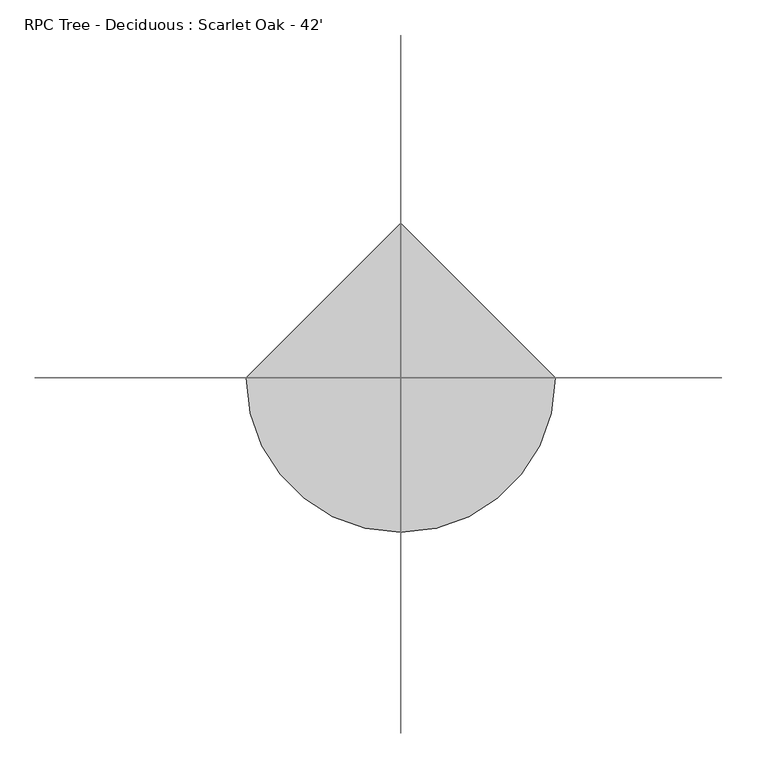
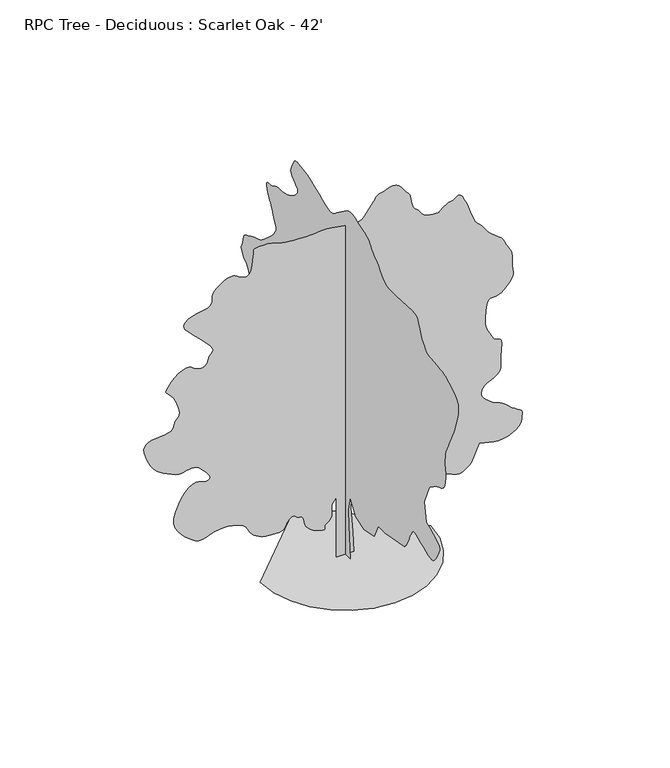
"""IFC4 building model written with IfcOpenShell, lengths in millimetres: geographic element geometry, RPC Tree - Deciduous : Scarlet Oak - 42'."""

from ifc_helpers import new_model, si_unit, origin, place, context, project, spatial, triangles, source, transform, mapped, element, save


def rpc_tree_deciduous_scarlet_oak_42_9b182cbb(model_context):
    return source(origin(), model_context, "Body", "Tessellation", [
        triangles([(0.0176667, 313.3908637, 0.0), (0.0176667, -300.6481277, 0.0), (0.0176667, -201.6098415, 1168.65294), (0.0176667, -181.8016574, 1723.2669067), (0.0176667, -300.6481277, 2238.2675938), (0.0176667, -617.5722605, 1723.2669067), (0.0176667, -1132.5703314, 1564.8060848), (0.0176667, -1726.8001213, 1703.4602669), (0.0176667, -1964.4925896, 2198.6516979), (0.0176667, -2380.4549904, 2198.6516979), (0.0176667, -3529.2988197, 2416.5375263), (0.0176667, -3571.5694954, 2467.5287453), (0.0176667, -3612.8163963, 2518.865728), (0.0176667, -3651.9637161, 2570.8942383), (0.0176667, -3687.9873894, 2623.969487), (0.0176667, -3719.8633507, 2678.4275002), (0.0176667, -3746.5419548, 2734.6266861), (0.0176667, -3766.9988457, 2792.8740028), (0.0176667, -3786.866819, 2852.8877815), (0.0176667, -3811.9324402, 2913.9259163), (0.0176667, -3841.3248322, 2975.8343468), (0.0176667, -3874.1736992, 3038.4340141), (0.0176667, -3909.6343254, 3101.5461502), (0.0176667, -3946.8099632, 3165.016404), (0.0176667, -3984.882058, 3228.6404274), (0.0176667, -4003.0091492, 3249.1996376), (0.0176667, -4028.0747704, 3265.7904854), (0.0176667, -4066.991581, 3274.393158), (0.0176667, -4126.698111, 3271.0392929), (0.0176667, -4214.133181, 3251.7599464), (0.0176667, -4336.2091599, 3212.5358871), (0.0176667, -4499.8648682, 3149.4240417), (0.0176667, -4672.6607162, 3075.1492149), (0.0176667, -4819.8023163, 3008.8625633), (0.0176667, -4944.7714325, 2956.0686928), (0.0176667, -5051.0248306, 2922.3492393), (0.0176667, -5142.0442749, 2913.2343887), (0.0176667, -5221.2603699, 2934.2546173), (0.0176667, -5292.1816223, 2990.9656906), (0.0176667, -5363.7423706, 3080.2954124), (0.0176667, -5437.7099487, 3189.0320892), (0.0176667, -5506.8388687, 3307.4725342), (0.0176667, -5563.8313202, 3425.9129791), (0.0176667, -5601.4168167, 3534.6496559), (0.0176667, -5612.3492889, 3624.0049576), (0.0176667, -5589.3065094, 3684.2236656), (0.0176667, -5533.0052948, 3729.5668282), (0.0176667, -5451.7404877, 3780.0820587), (0.0176667, -5349.7118317, 3834.9496399), (0.0176667, -5231.0155884, 3893.2736961), (0.0176667, -5099.8759186, 3954.2095116), (0.0176667, -4960.4152451, 4016.8603386), (0.0176667, -4816.8068596, 4080.3820427), (0.0176667, -4697.9568466, 4753.8484932), (0.0176667, -4995.0561539, 5447.1064682), (0.0176667, -5004.4270935, 5460.3434509), (0.0176667, -5018.9698105, 5476.4988602), (0.0176667, -5043.9328217, 5498.5690247), (0.0176667, -5084.4629059, 5529.4717896), (0.0176667, -5145.7824188, 5572.1267441), (0.0176667, -5233.1148788, 5629.5290543), (0.0176667, -5351.6064835, 5704.6233078), (0.0176667, -5480.1602646, 5772.6511322), (0.0176667, -5594.1457489, 5817.0984192), (0.0176667, -5693.5885162, 5853.2497009), (0.0176667, -5778.4885666, 5896.340094), (0.0176667, -5848.8209015, 5961.6029709), (0.0176667, -5904.609938, 6064.2717041), (0.0176667, -5945.8312592, 6219.6064087), (0.0176667, -5969.6931747, 6372.1755844), (0.0176667, -5976.5549652, 6470.0056595), (0.0176667, -5971.3064484, 6533.5267822), (0.0176667, -5958.7607025, 6583.1970062), (0.0176667, -5943.8087082, 6639.4476425), (0.0176667, -5931.2885422, 6722.7088394), (0.0176667, -5926.0400253, 6853.4648117), (0.0176667, -5927.8835175, 6997.7129837), (0.0176667, -5935.9737213, 7117.3568436), (0.0176667, -5954.1011032, 7226.6309875), (0.0176667, -5986.0793839, 7339.6950165), (0.0176667, -6035.7496078, 7470.7835266), (0.0176667, -6106.9010788, 7634.1061157), (0.0176667, -6203.3225189, 7843.8473831), (0.0176667, -6294.8797211, 8033.439299), (0.0176667, -6355.9178558, 8147.834642), (0.0176667, -6397.1897552, 8218.5762543), (0.0176667, -6429.4755753, 8277.1819794), (0.0176667, -6463.5019867, 8355.1946594), (0.0176667, -6509.9718246, 8484.1577179), (0.0176667, -6579.6896622, 8695.5634186), (0.0176667, -6654.8094955, 8940.125235), (0.0176667, -6705.3500153, 9150.7373795), (0.0176667, -6723.656456, 9332.2385101), (0.0176667, -6702.0984695, 9489.4934464), (0.0176667, -6633.0980301, 9627.3408463), (0.0176667, -6508.9992096, 9750.6205307), (0.0176667, -6322.1728226, 9864.2211548), (0.0176667, -6140.9019104, 9957.5968506), (0.0176667, -6021.6679092, 10021.8859497), (0.0176667, -5939.1485275, 10064.3101044), (0.0176667, -5868.0487976, 10092.2177032), (0.0176667, -5783.0970062, 10112.8292358), (0.0176667, -5658.9987671, 10133.4396057), (0.0176667, -5470.4567871, 10161.3472046), (0.0176667, -5268.216806, 10183.3400482), (0.0176667, -5111.3717285, 10191.8406921), (0.0176667, -4987.0938492, 10202.3888855), (0.0176667, -4882.5816238, 10230.6290222), (0.0176667, -4784.982058, 10292.127594), (0.0176667, -4681.493898, 10402.5034149), (0.0176667, -4559.2897293, 10577.2962341), (0.0176667, -4452.5756035, 10769.4740387), (0.0176667, -4389.5149178, 10923.9122864), (0.0176667, -4348.2938873, 11044.0165833), (0.0176667, -4307.0469864, 11133.2960175), (0.0176667, -4243.9863007, 11195.2038666), (0.0176667, -4137.2721748, 11233.1992218), (0.0176667, -3965.0652443, 11250.763266), (0.0176667, -3014.2904297, 11191.3378235), (0.0176667, -2839.0363014, 11194.4108917), (0.0176667, -2696.349662, 11194.0004517), (0.0176667, -2575.1186897, 11201.2209412), (0.0176667, -2464.3027794, 11227.1309875), (0.0176667, -2352.7906906, 11282.8694458), (0.0176667, -2229.4985069, 11379.4705261), (0.0176667, -2083.3375156, 11528.0707581), (0.0176667, -1942.4917522, 11678.1569458), (0.0176667, -1836.9835121, 11780.4158203), (0.0176667, -1758.5045815, 11847.7012482), (0.0176667, -1698.7339565, 11892.8147736), (0.0176667, -1649.3606621, 11928.556778), (0.0176667, -1602.0639851, 11967.7555481), (0.0176667, -1548.5328049, 12023.2626251), (0.0176667, -1497.1368141, 12088.8074615), (0.0176667, -1455.0938862, 12149.8444336), (0.0176667, -1412.3621922, 12206.7351471), (0.0176667, -1358.8872585, 12259.7853973), (0.0176667, -1284.6226055, 12309.4044617), (0.0176667, -1179.5189192, 12355.8992981), (0.0176667, -1033.5320452, 12399.6036072), (0.0176667, -869.6434296, 12447.7634583), (0.0176667, -716.8409832, 12501.1206665), (0.0176667, -574.0851983, 12550.3304535), (0.0176667, -440.341763, 12586.0212982), (0.0176667, -314.5660463, 12598.8484222), (0.0176667, -195.7190492, 12579.4414673), (0.0176667, -82.7633712, 12518.4544922), (0.0176667, 511.4674361, 12082.6880676), (0.0176667, 575.7980298, 12024.1335022), (0.0176667, 638.0522604, 11970.7762939), (0.0176667, 705.8469595, 11927.7882202), (0.0176667, 786.8119303, 11900.4189606), (0.0176667, 888.5641497, 11893.8379669), (0.0176667, 1018.7282976, 11913.2460846), (0.0176667, 1184.9289087, 11963.8371826), (0.0176667, 1373.534911, 12038.957016), (0.0176667, 1563.5259304, 12123.4483704), (0.0176667, 1751.4381523, 12209.6791534), (0.0176667, 1933.8071079, 12289.996344), (0.0176667, 2107.1689098, 12356.8213348), (0.0176667, 2268.0542931, 12402.4976166), (0.0176667, 2413.0043118, 12419.4210022), (0.0176667, 2544.8429214, 12428.6634613), (0.0176667, 2667.3156784, 12449.6842712), (0.0176667, 2778.3824455, 12472.4200928), (0.0176667, 2875.9049812, 12486.8599091), (0.0176667, 2957.8610252, 12482.9427063), (0.0176667, 3022.1248352, 12450.606308), (0.0176667, 3066.6488617, 12379.7873749), (0.0176667, 3106.4362587, 12290.8160614), (0.0176667, 3152.1122498, 12208.7582794), (0.0176667, 3195.0232933, 12130.8479187), (0.0176667, 3226.5152664, 12054.318869), (0.0176667, 3237.8831772, 11976.4340881), (0.0176667, 3220.4984825, 11894.3763062), (0.0176667, 3165.7076408, 11805.3794128), (0.0176667, 3081.8572357, 11723.8332275), (0.0176667, 2992.092366, 11659.9534058), (0.0176667, 2909.982843, 11604.7532867), (0.0176667, 2848.9961586, 11549.1938873), (0.0176667, 2822.6759628, 11484.2897095), (0.0176667, 2844.4900383, 11401.0285126), (0.0176667, 2928.0076149, 11290.3713135), (0.0176667, 3043.3244133, 11180.1233917), (0.0176667, 3152.0610901, 11099.7038818), (0.0176667, 3254.9091728, 11042.4550507), (0.0176667, 3352.5598984, 11001.8738068), (0.0176667, 3445.704213, 10971.3035797), (0.0176667, 3535.0595146, 10944.2412781), (0.0176667, 3621.2652992, 10914.0291687), (0.0176667, 3707.3690552, 10890.7561707), (0.0176667, 3795.9049301, 10883.0752441), (0.0176667, 3886.8473442, 10882.333429), (0.0176667, 3980.222168, 10879.8498596), (0.0176667, 4076.0294014, 10866.9715759), (0.0176667, 4174.2690445, 10835.0177124), (0.0176667, 4274.9152267, 10775.3887939), (0.0176667, 4378.9408539, 10722.4152832), (0.0176667, 4481.2000191, 10703.4176056), (0.0176667, 4572.7316414, 10698.9632263), (0.0176667, 4644.5228989, 10689.6684448), (0.0176667, 4687.5362617, 10656.1286316), (0.0176667, 4692.7850693, 10578.9089264), (0.0176667, 4651.2820793, 10438.6546967), (0.0176667, 4589.9369865, 10291.0520782), (0.0176667, 4539.012188, 10191.6093109), (0.0176667, 4494.308812, 10120.561322), (0.0176667, 4451.7053078, 10058.1918732), (0.0176667, 4407.0019318, 9984.7358917), (0.0176667, 4356.0515533, 9880.4538849), (0.0176667, 4294.7320404, 9725.5801987), (0.0176667, 4229.9301819, 9573.2412415), (0.0176667, 4174.1664345, 9477.02444), (0.0176667, 4131.5370598, 9417.880957), (0.0176667, 4106.2412201, 9376.7625366), (0.0176667, 4102.4263367, 9334.6197601), (0.0176667, 4124.265992, 9272.3526306), (0.0176667, 4175.8820274, 9170.9640518), (0.0176667, 4267.7717674, 9036.5728363), (0.0176667, 4396.7095367, 8893.8861969), (0.0176667, 4546.4626053, 8751.5320953), (0.0176667, 4700.6962143, 8618.1908157), (0.0176667, 4843.178215, 8502.5153183), (0.0176667, 4957.5729767, 8413.1858871), (0.0176667, 5027.6233521, 8358.830484), (0.0176667, 5089.8137421, 8324.829071), (0.0176667, 5183.1888565, 8290.4695404), (0.0176667, 5295.279689, 8255.4187729), (0.0176667, 5413.6172333, 8219.3186508), (0.0176667, 5525.7080658, 8181.8354736), (0.0176667, 5619.0831802, 8142.6367035), (0.0176667, 5681.2729889, 8101.3392242), (0.0176667, 5733.3500427, 8067.0308533), (0.0176667, 5799.6622742, 8042.7846588), (0.0176667, 5872.5293381, 8019.2297012), (0.0176667, 5944.3714645, 7986.9950409), (0.0176667, 6007.5606308, 7936.7614792), (0.0176667, 6054.4397461, 7859.1324966), (0.0176667, 6077.431366, 7744.7888947), (0.0176667, 6096.2499847, 7629.9325333), (0.0176667, 6128.5869644, 7548.6938873), (0.0176667, 6163.6888916, 7488.5777893), (0.0176667, 6190.8535126, 7437.1152328), (0.0176667, 6199.277417, 7381.8633728), (0.0176667, 6178.2571884, 7310.3026245), (0.0176667, 6117.0399948, 7209.9889801), (0.0176667, 6041.0492844, 7116.0255295), (0.0176667, 5979.6018723, 7059.8522141), (0.0176667, 5927.8579376, 7023.4183914), (0.0176667, 5880.9526611, 6988.7007431), (0.0176667, 5834.0729645, 6937.699205), (0.0176667, 5782.3290298, 6852.4148758), (0.0176667, 5720.8816177, 6714.7976944), (0.0176667, 5653.9037292, 6576.9502945), (0.0176667, 5592.4557358, 6490.0526917), (0.0176667, 5542.0942749, 6434.6729324), (0.0176667, 5508.3748215, 6391.4034805), (0.0176667, 5496.8278519, 6340.8885406), (0.0176667, 5512.9832611, 6263.6694168), (0.0176667, 5562.4232666, 6140.3897324), (0.0176667, 5628.0954208, 6005.5380798), (0.0176667, 5689.9271118, 5900.8462143), (0.0176667, 5749.0194351, 5817.6361771), (0.0176667, 5806.3450058, 5747.2271027), (0.0176667, 5863.0049194, 5680.9916107), (0.0176667, 5919.9973709, 5610.2499985), (0.0176667, 5978.3728775, 5526.348143), (0.0176667, 6046.1187424, 5443.5985428), (0.0176667, 6124.9511398, 5376.0828964), (0.0176667, 6206.5484848, 5314.8145432), (0.0176667, 6282.6153534, 5250.7556625), (0.0176667, 6344.8057434, 5174.9445923), (0.0176667, 6384.8236496, 5078.3179321), (0.0176667, 6394.3480682, 4951.9151825), (0.0176667, 6402.3615326, 4852.6511833), (0.0176667, 6431.8824051, 4819.9049263), (0.0176667, 6465.5506989, 4818.343103), (0.0176667, 6486.0587494, 4812.6335678), (0.0176667, 6476.0477325, 4767.4183044), (0.0176667, 6418.2611435, 4647.3648766), (0.0176667, 6295.3145782, 4417.1152679), (0.0176667, 6166.7613785, 4158.8557411), (0.0176667, 6089.1579758, 3968.8801277), (0.0176667, 6040.640007, 3832.9270889), (0.0176667, 5999.4186859, 3736.8381866), (0.0176667, 5943.629068, 3666.3782433), (0.0176667, 5851.4579498, 3607.3629501), (0.0176667, 5701.0903839, 3545.5824188), (0.0176667, 5527.4748184, 3495.4511765), (0.0176667, 5374.6748428, 3474.4309479), (0.0176667, 5234.3438736, 3472.8179649), (0.0176667, 5098.1859055, 3480.9087502), (0.0176667, 4957.8549362, 3488.9736649), (0.0176667, 4805.0549606, 3487.3606819), (0.0176667, 4631.4652657, 3466.3404533), (0.0176667, 4458.3362984, 3447.5221252), (0.0176667, 4308.7625793, 3451.5675179), (0.0176667, 4177.2133415, 3467.3900986), (0.0176667, 4058.1328194, 3483.9042068), (0.0176667, 3945.9908272, 3490.0233101), (0.0176667, 3835.2313087, 3474.6614571), (0.0176667, 3720.2984985, 3426.7324059), (0.0176667, 3610.3072472, 3375.7820274), (0.0176667, 3519.3389626, 3349.1034233), (0.0176667, 3449.5190964, 3332.1285873), (0.0176667, 3402.9213593, 3310.3145119), (0.0176667, 3381.6194618, 3269.0679016), (0.0176667, 3387.6874054, 3193.8969086), (0.0176667, 3423.1991913, 3070.1820763), (0.0176667, 3480.4733116, 2938.7610283), (0.0176667, 3549.1923729, 2845.7701927), (0.0176667, 3627.4614326, 2784.8599571), (0.0176667, 3713.3343887, 2749.5789711), (0.0176667, 3804.9171707, 2733.5255905), (0.0176667, 3900.3145454, 2730.2740448), (0.0176667, 3997.6068626, 2733.448851), (0.0176667, 4373.9740059, 2317.4992401), (0.0176667, 4403.4687172, 2270.6632908), (0.0176667, 4431.7603043, 2222.9646034), (0.0176667, 4457.6450615, 2173.5324463), (0.0176667, 4479.868705, 2121.4991398), (0.0176667, 4497.2533997, 2066.004126), (0.0176667, 4508.5698601, 2006.1771091), (0.0176667, 4512.6152527, 1941.1527351), (0.0176667, 4511.9240158, 1873.3554199), (0.0176667, 4507.0847763, 1806.2519577), (0.0176667, 4493.8992439, 1740.5362015), (0.0176667, 4468.2705757, 1676.8969173), (0.0176667, 4425.9996094, 1616.0304291), (0.0176667, 4362.9389236, 1558.6281189), (0.0176667, 4274.9152267, 1505.3836945), (0.0176667, 4190.9622116, 1460.165815), (0.0176667, 4131.9469185, 1424.9973221), (0.0176667, 4081.5854576, 1397.7989822), (0.0176667, 4023.5942299, 1376.4895271), (0.0176667, 3941.7149254, 1358.992194), (0.0176667, 3819.6389465, 1343.2258598), (0.0176667, 3641.0824036, 1327.1137619), (0.0176667, 3437.9721268, 1329.4230686), (0.0176667, 3250.8126205, 1364.996188), (0.0176667, 3076.1221207, 1425.8652924), (0.0176667, 2910.4438614, 1504.0548512), (0.0176667, 2750.3213676, 1591.6024143), (0.0176667, 2592.2472954, 1680.5352127), (0.0176667, 2432.8109516, 1762.8828026), (0.0176667, 2290.6338741, 1837.7823006), (0.0176667, 2180.6808472, 1908.5239128), (0.0176667, 2093.9423916, 1973.376931), (0.0176667, 2021.411063, 2030.6051239), (0.0176667, 1954.0772369, 2078.4780739), (0.0176667, 1882.9309982, 2115.2646366), (0.0176667, 1798.9653385, 2139.2293076), (0.0176667, 1706.624754, 2159.4404285), (0.0176667, 1615.6720207, 2184.5034336), (0.0176667, 1525.0649059, 2211.9936161), (0.0176667, 1433.7664089, 2239.4811825), (0.0176667, 1340.7321167, 2264.5441875), (0.0176667, 1244.9274994, 2284.7553085), (0.0176667, 1145.3130856, 2297.6899841), (0.0176667, 1043.4456116, 2304.4466938), (0.0176667, 941.5755941, 2308.0849892), (0.0176667, 839.7081202, 2309.1244606), (0.0176667, 737.8407188, 2308.0849892), (0.0176667, 635.9732449, 2305.4861652), (0.0176667, 534.1032274, 2301.8480152), (0.0176667, 432.2357898, 2297.6899841), (0.0176667, 234.1596897, 2000.5751255), (0.0176667, 194.5438665, 1544.999445), (287.211575, 0.0006153, 0.0094345), (-307.0182149, 0.0006153, 0.0094345), (-307.0182149, 0.0004871, 2178.8527611), (-465.4815439, 0.0004871, 1960.9695488), (-465.4815439, 0.0005127, 1723.2770805), (-461.8433212, 0.0005127, 1668.1278305), (-461.8433212, 0.0005127, 1613.1500816), (-469.1197666, 0.0005127, 1558.5205673), (-487.308264, 0.0005384, 1504.4107887), (-520.0521955, 0.0005384, 1450.9948631), (-570.9872043, 0.0005384, 1398.4416756), (-643.748933, 0.0005384, 1346.9305756), (-700.7467621, 0.0005384, 1293.4557873), (-716.5132416, 0.0005384, 1239.2870007), (-712.8750189, 0.0005384, 1191.0121857), (-711.6614302, 0.0005384, 1155.206159), (-734.7042824, 0.0005384, 1138.4590708), (-803.8278248, 0.0005384, 1147.3536587), (-940.8638643, 0.0005384, 1188.4698263), (-1097.1892788, 0.0005384, 1252.5136642), (-1214.0141247, 0.0005384, 1324.8708755), (-1297.9209217, 0.0005384, 1404.1613846), (-1355.4973492, 0.0005384, 1488.9925438), (-1393.3235287, 0.0005127, 1577.9815887), (-1417.9820526, 0.0005127, 1669.7434296), (-1436.0578388, 0.0005127, 1762.8929764), (-1440.6767429, 0.0005127, 1788.2427372), (-1447.5485619, 0.0005127, 1812.9011158), (-1458.9240303, 0.0005127, 1836.1770206), (-1477.0588245, 0.0005127, 1857.3687504), (-1504.1983017, 0.0005127, 1875.7903004), (-1542.6030796, 0.0005127, 1890.7476723), (-1594.5186607, 0.0005127, 1901.5471584), (-1646.4342419, 0.0005127, 1919.331102), (-1687.2611103, 0.0005127, 1949.2458458), (-1722.8930923, 0.0004871, 1981.5852962), (-1759.2163113, 0.0004871, 2006.6483013), (-1802.1247387, 0.0004871, 2014.733709), (-1857.5044979, 0.0004871, 1996.138187), (-1931.2494152, 0.0005127, 1941.1604382), (-1996.0996719, 0.0005127, 1864.2407146), (-2032.88638, 0.0005127, 1789.0516994), (-2059.6238468, 0.0005127, 1719.7541851), (-2094.3289959, 0.0005127, 1660.5031506), (-2155.0238377, 0.0005127, 1615.4620045), (-2259.7204994, 0.0005127, 1588.7809296), (-2426.4408463, 0.0005127, 1584.6230438), (-2610.6557648, 0.0005127, 1596.8664825), (-2760.2297745, 0.0005127, 1617.0776035), (-2881.7168358, 0.0005127, 1645.9528759), (-2981.7488113, 0.0005127, 1684.1810658), (-3066.8793709, 0.0005127, 1732.4584969), (-3143.6633469, 0.0005127, 1791.4788769), (-3218.7576004, 0.0005127, 1861.9312626), (-3282.4327835, 0.0005127, 1939.1966045), (-3328.1343544, 0.0004871, 2016.8126518), (-3366.8721062, 0.0004871, 2092.6929039), (-3409.782859, 0.0004871, 2164.7633595), (-3467.9278564, 0.0004871, 2230.9424595), (-3552.4183388, 0.0004871, 2289.1538773), (-3674.3152588, 0.0004871, 2337.3161991), (-3796.8778358, 0.0004871, 2373.9261738), (-3885.797699, 0.0004615, 2399.7981411), (-3956.0271332, 0.0004615, 2416.3148655), (-4022.4419746, 0.0004615, 2424.8611462), (-4099.9171875, 0.0004615, 2426.8249798), (-4203.4053474, 0.0004615, 2423.5911655), (-4347.7817093, 0.0004615, 2416.5452293), (-4506.5217293, 0.0004615, 2391.541087), (-4647.6209656, 0.0004871, 2345.0533722), (-4777.6083801, 0.0004871, 2294.4077717), (-4903.0896744, 0.0004871, 2256.9298267), (-5030.6702591, 0.0004871, 2249.9426079), (-5166.8793869, 0.0004871, 2290.7694763), (-5318.3480484, 0.0004615, 2396.7385895), (-5476.8319794, 0.0004615, 2538.4523232), (-5623.153862, 0.0004615, 2679.118737), (-5747.6625412, 0.0004358, 2825.0057625), (-5840.6277969, 0.0004358, 2982.3118584), (-5892.3717316, 0.0004358, 3157.2843178), (-5893.1908676, 0.0004102, 3356.1698524), (-5833.3561478, 0.0004102, 3585.1904663), (-5733.2221436, 0.0003846, 3816.1824715), (-5621.6434891, 0.0003846, 4014.2744499), (-5501.7694107, 0.0003589, 4175.6259384), (-5376.6973938, 0.0003589, 4296.4217628), (-5249.5266678, 0.0003589, 4372.8729103), (-5123.4052963, 0.0003589, 4401.1900772), (-5001.4313461, 0.0003589, 4377.5072205), (-4886.3965073, 0.0003589, 4337.6686638), (-4784.5469101, 0.0003589, 4320.6679573), (-4704.1526894, 0.0003589, 4327.6064873), (-4653.5607193, 0.0003589, 4359.4824486), (-4641.0920036, 0.0003589, 4417.3457771), (-4675.0419662, 0.0003589, 4502.2458275), (-4763.7313202, 0.0003333, 4615.2072464), (-4867.1683205, 0.0003333, 4728.5014938), (-4946.0004272, 0.0003333, 4815.808374), (-5009.573291, 0.0003333, 4880.2515335), (-5067.2575607, 0.0003333, 4924.9546188), (-5128.4235947, 0.0003333, 4953.0156967), (-5202.3911728, 0.0003076, 4967.5839935), (-5298.5568146, 0.0003076, 4971.7319962), (-5397.1804459, 0.0003333, 4962.437796), (-5478.8545303, 0.0003333, 4941.0077087), (-5553.2313858, 0.0003333, 4917.171373), (-5630.0412323, 0.0003333, 4900.5805252), (-5718.9613861, 0.0003333, 4900.9903839), (-5829.7209045, 0.0003333, 4928.0782654), (-5972.0232651, 0.0003076, 4991.5488098), (-6123.0309082, 0.0003076, 5067.4877792), (-6256.0140701, 0.0003076, 5133.3645721), (-6374.8126328, 0.0003076, 5201.008699), (-6483.1909012, 0.0003076, 5282.1450256), (-6585.0149185, 0.0003076, 5388.5519028), (-6684.0484085, 0.000282, 5532.0576782), (-6784.1312531, 0.000282, 5724.4401215), (-6866.8808533, 0.0002564, 5924.068634), (-6912.5565536, 0.0002564, 6084.5495361), (-6922.9006897, 0.0002564, 6210.3889481), (-6899.6271103, 0.0002307, 6306.0679916), (-6844.4775696, 0.0002307, 6376.118367), (-6759.1938217, 0.0002307, 6425.0206146), (-6645.4641357, 0.0002307, 6457.3064346), (-6511.2008194, 0.0002307, 6475.8430939), (-6369.3338974, 0.0002307, 6486.7755661), (-6229.1564072, 0.0002307, 6499.3980515), (-6100.090448, 0.0002307, 6523.1320679), (-5991.4813797, 0.0002307, 6567.3229752), (-5912.6495636, 0.0002307, 6641.2911346), (-5872.9641953, 0.0002051, 6754.4313217), (-5843.6485428, 0.0002051, 6863.6804672), (-5798.3565399, 0.0002051, 6934.8313568), (-5750.3251694, 0.0002051, 6990.3907562), (-5712.6629333, 0.0002051, 7052.8625244), (-5698.5812347, 0.0001795, 7144.8034241), (-5721.2141556, 0.0001795, 7288.7190582), (-5793.7481003, 0.0001795, 7507.1144485), (-5896.4679932, 0.0001538, 7722.232132), (-5994.7079269, 0.0001538, 7857.6477036), (-6079.0702194, 0.0001538, 7937.9904739), (-6140.2362534, 0.0001282, 7987.8141769), (-6168.8095093, 0.0001282, 8031.7492859), (-6155.4702072, 0.0001282, 8094.4262741), (-6090.8474075, 0.0001282, 8200.3977127), (-5986.6938812, 0.0001282, 8332.6384781), (-5866.2308853, 0.0001025, 8453.101474), (-5737.4468857, 0.0001025, 8554.8481705), (-5608.304187, 0.0001025, 8630.9667801), (-5486.816835, 0.0001025, 8674.4920303), (-5380.8965561, 0.0001025, 8678.5377136), (-5298.5568146, 0.0001025, 8636.1641373), (-5217.8297653, 0.0001025, 8572.9755524), (-5118.386998, 0.0001025, 8523.663446), (-5010.6232269, 0.0001025, 8494.7832321), (-4904.9331665, 0.0001025, 8492.93974), (-4811.7374016, 0.0001025, 8524.713382), (-4741.4053574, 0.0001025, 8596.6584091), (-4704.3320389, 0.0001025, 8715.3802322), (-4670.3564964, 0.0001025, 8828.5721603), (-4616.9995789, 7.69e-05, 8895.677948), (-4566.0747803, 7.69e-05, 8940.9449524), (-4539.3961761, 7.69e-05, 8988.6432037), (-4558.8034218, 7.69e-05, 9063.0206406), (-4646.110302, 7.69e-05, 9188.3484558), (-4823.1820518, 5.13e-05, 9388.8472641), (-5045.2129761, 5.13e-05, 9615.3328583), (-5243.6892334, 2.56e-05, 9806.1281891), (-5404.7584717, 2.56e-05, 9966.78815), (-5514.5197952, 2.56e-05, 10102.8437988), (-5559.1717209, 0.0, 10219.8506104), (-5524.8121902, 0.0, 10323.3384796), (-5397.5897232, 0.0, 10418.8384644), (-5227.9175217, 0.0, 10492.422345), (-5075.9366821, 0.0, 10534.4628021), (-4942.313443, 0.0, 10557.0951416), (-4827.7393318, -2.56e-05, 10572.4569946), (-4732.9050041, -2.56e-05, 10592.6580872), (-4658.527858, -2.56e-05, 10629.8593048), (-4605.2732597, -2.56e-05, 10696.1459564), (-4578.7225548, -2.56e-05, 10774.5690765), (-4574.6774529, -2.56e-05, 10843.2881378), (-4579.2858925, -2.56e-05, 10907.1679596), (-4578.7225548, -2.56e-05, 10971.0477814), (-4559.0850906, -5.13e-05, 11039.7668427), (-4506.5217293, -5.13e-05, 11118.1899628), (-4407.2068611, -5.13e-05, 11211.1552185), (-4285.6427696, -5.13e-05, 11303.1472778), (-4174.4736832, -5.13e-05, 11374.7080261), (-4071.9840088, -7.69e-05, 11424.7619476), (-3976.4072845, -7.69e-05, 11452.3114288), (-3886.0282082, -7.69e-05, 11456.3053711), (-3799.1053162, -7.69e-05, 11435.6694214), (-3713.9488861, -5.13e-05, 11389.4303833), (-3626.1556984, -5.13e-05, 11332.8977875), (-3535.6225616, -5.13e-05, 11288.8353607), (-3446.8053085, -5.13e-05, 11267.2773743), (-3364.2091873, -5.13e-05, 11278.3115845), (-3292.3667702, -5.13e-05, 11331.9501709), (-3235.783596, -7.69e-05, 11438.2808899), (-3198.9404961, -7.69e-05, 11607.3135956), (-3176.9473618, -7.69e-05, 11788.8141449), (-3161.1759407, -0.0001025, 11929.0683746), (-3150.6018768, -0.0001025, 12032.966684), (-3144.2011047, -0.0001025, 12105.3204071), (-3140.8981087, -0.0001025, 12150.9966888), (-3139.6946938, -0.0001025, 12174.8591858), (-3139.5156349, -0.0001025, 12181.7203949), (-3113.477108, -0.0001025, 12185.7666595), (-3042.7354958, -0.0001025, 12194.6765808), (-2938.3767494, -0.0001025, 12203.5609222), (-2811.5129814, -0.0001025, 12207.6060242), (-2673.2045631, -0.0001025, 12201.9470673), (-2534.5452942, -0.0001025, 12181.7203949), (-2406.6342064, -0.0001025, 12142.1123474), (-2289.3460167, -0.0001025, 12098.0499207), (-2171.7120632, -0.0001025, 12066.1227997), (-2048.5351341, -0.0001025, 12043.872995), (-1914.6149654, -0.0001025, 12028.921582), (-1764.7594322, -0.0001025, 12018.8338257), (-1593.7659451, -0.0001025, 12011.1528992), (-1396.4394722, -0.0001025, 12003.4719727), (-1205.9875071, -0.0001025, 12002.3708771), (-1049.1423569, -0.0001025, 12011.6644958), (-911.0079105, -0.0001025, 12024.772998), (-776.6858768, -0.0001025, 12035.1165527), (-631.2776012, -0.0001025, 12036.0897491), (-459.8795603, -0.0001025, 12021.1371735), (-247.5965149, -0.0001025, 11983.6545776), (-33.003293, -0.0001025, 11939.0793915), (140.0111032, -0.0001025, 11908.3556854), (278.3759043, -0.0001025, 11893.2240509), (389.0226934, -0.0001025, 11895.4006622), (478.8797087, -0.0001025, 11916.6761078), (554.8751063, -0.0001025, 11958.7165649), (623.9422932, -0.0001025, 12023.2626251), (921.0572245, -0.0001282, 12399.6036072), (965.640041, -0.0001282, 12457.6465759), (1001.2131603, -0.0001282, 12512.2327789), (1033.3195581, -0.0001282, 12562.2867004), (1067.507515, -0.0001282, 12606.8107269), (1109.3175356, -0.0001282, 12644.7549225), (1164.2952845, -0.0001282, 12675.0693512), (1237.9812664, -0.0001282, 12696.729657), (1328.2991547, -0.0001538, 12721.5641876), (1426.9329597, -0.0001538, 12754.7203033), (1530.070269, -0.0001538, 12785.0858917), (1633.9040474, -0.0001538, 12801.6), (1734.6167953, -0.0001538, 12793.1760956), (1828.3987164, -0.0001538, 12748.7032288), (1911.4427753, -0.0001282, 12657.1216095), (1985.1850765, -0.0001282, 12552.6605438), (2052.6930199, -0.0001282, 12471.3957367), (2112.5788994, -0.0001282, 12405.0323456), (2163.4550091, -0.0001282, 12345.2743652), (2203.9362591, -0.0001282, 12283.7757935), (2232.6374142, -0.0001025, 12212.2138824), (2248.1709137, -0.0001025, 12122.2961151), (2258.9703999, -0.0001025, 12029.1006409), (2273.9277718, -0.0001025, 11951.4972382), (2292.3491764, -0.0001025, 11886.8744385), (2313.5410515, -7.69e-05, 11832.6463531), (2336.8143402, -7.69e-05, 11786.2026764), (2361.4727188, -7.69e-05, 11744.9819366), (2386.8250957, -7.69e-05, 11706.3459229), (2412.4640831, -7.69e-05, 11688.9621002), (2439.1453033, -7.69e-05, 11669.1447052), (2467.9025597, -7.69e-05, 11644.4892334), (2499.7811371, -7.69e-05, 11612.5621124), (2535.8152748, -7.69e-05, 11570.9309326), (2577.0389214, -7.69e-05, 11517.164447), (2624.5072449, -7.69e-05, 11448.8546631), (2694.8648689, -5.13e-05, 11383.9249054), (2794.3076363, -5.13e-05, 11339.4776184), (2908.2931206, -5.13e-05, 11311.6223419), (3022.2786049, -5.13e-05, 11296.6186066), (3121.7213722, -5.13e-05, 11290.601532), (3192.0789963, -5.13e-05, 11289.8073944), (3218.7576004, -5.13e-05, 11290.3968933), (3232.429731, -5.13e-05, 11304.6576508), (3270.0408073, -5.13e-05, 11341.4240112), (3326.3420219, -5.13e-05, 11391.7337311), (3396.1621788, -7.69e-05, 11446.5245728), (3474.2774689, -7.69e-05, 11496.8354553), (3555.5419853, -7.69e-05, 11533.6273956), (3634.7072113, -7.69e-05, 11547.8881531), (3705.6790421, -7.69e-05, 11565.2731384), (3768.3301598, -7.69e-05, 11604.4707458), (3826.500737, -7.69e-05, 11646.1019257), (3883.9542068, -7.69e-05, 11670.7829773), (3944.5313232, -7.69e-05, 11659.0569489), (4012.0469696, -7.69e-05, 11591.5413025), (4090.2904495, -7.69e-05, 11448.8546631), (4163.9763588, -5.13e-05, 11281.2055939), (4218.94655, -5.13e-05, 11145.7894409), (4260.756498, -5.13e-05, 11033.5707092), (4294.9366791, -2.56e-05, 10935.5871552), (4327.0431496, -2.56e-05, 10842.7765411), (4362.631675, -2.56e-05, 10746.1754608), (4407.2068611, -2.56e-05, 10636.7216766), (4453.011042, 0.0, 10540.6833527), (4492.2095215, 0.0, 10479.6452179), (4530.3839355, 0.0, 10437.682663), (4573.0644699, 0.0, 10398.8164307), (4625.7813103, 0.0, 10347.1230743), (4694.0908035, 0.0, 10266.6779846), (4783.5481339, 0.0, 10141.5298096), (4893.6675751, 2.56e-05, 10002.2487762), (5014.5404297, 2.56e-05, 9885.8303009), (5137.4869949, 2.56e-05, 9786.0294159), (5253.8537292, 5.13e-05, 9696.6488251), (5354.9603485, 5.13e-05, 9611.4156555), (5432.1794724, 5.13e-05, 9524.0831955), (5476.8319794, 5.13e-05, 9428.4553116), (5511.8827469, 5.13e-05, 9334.6709198), (5560.7844131, 7.69e-05, 9250.5900055), (5615.6008347, 7.69e-05, 9166.5090912), (5668.3179657, 7.69e-05, 9072.724118), (5710.9985001, 7.69e-05, 8959.5583511), (5735.6545532, 0.0001025, 8817.2554092), (5734.3232391, 0.0001025, 8636.1641373), (5731.6094513, 0.0001025, 8462.1137146), (5746.5614456, 0.0001282, 8335.1732071), (5762.8964951, 0.0001282, 8237.0100128), (5764.3557083, 0.0001282, 8149.2171158), (5734.6046173, 0.0001282, 8053.4863312), (5657.4110733, 0.0001538, 7931.3850632), (5516.4400269, 0.0001538, 7764.6057083), (5349.148494, 0.0001538, 7624.5816971), (5204.0294449, 0.0001538, 7568.3828018), (5081.4159988, 0.0001538, 7556.195755), (4981.691272, 0.0001538, 7548.1817093), (4905.163385, 0.0001795, 7504.4518204), (4852.2160355, 0.0001795, 7385.2172379), (4823.156472, 0.0001795, 7150.5896988), (4812.3007393, 0.0002051, 6890.9474075), (4813.9393021, 0.0002051, 6708.2178635), (4828.3538292, 0.0002307, 6579.9198807), (4855.9797592, 0.0002307, 6483.4728607), (4897.0981796, 0.0002307, 6396.396199), (4952.0686615, 0.0002307, 6296.1342957), (5021.2481598, 0.0002564, 6160.206546), (5100.1828766, 0.0002564, 6041.9969009), (5179.8344101, 0.0002564, 5988.229834), (5253.5717697, 0.0002564, 5966.3393097), (5314.840123, 0.0002564, 5943.7575485), (5357.0602203, 0.0002564, 5887.9167709), (5373.6254883, 0.000282, 5766.2247803), (5357.9816757, 0.000282, 5546.1649567), (5336.7312286, 0.0003076, 5303.5495331), (5333.4796829, 0.0003076, 5126.0935043), (5337.1916656, 0.0003076, 4998.8710373), (5336.7312286, 0.0003333, 4907.0068771), (5321.0106766, 0.0003333, 4835.574028), (5278.9702194, 0.0003333, 4769.6713646), (5199.5233246, 0.0003333, 4694.423632), (5103.537323, 0.0003333, 4623.8610786), (5018.6366913, 0.0003333, 4576.1622459), (4943.7988174, 0.0003333, 4542.6733017), (4877.9726028, 0.0003589, 4514.7145432), (4820.109565, 0.0003589, 4483.6580086), (4769.1847664, 0.0003589, 4440.7981247), (4724.1232727, 0.0003589, 4377.5072205), (4688.3301086, 0.0003589, 4304.2308792), (4668.1034363, 0.0003589, 4235.1022499), (4666.951181, 0.0003589, 4167.0232658), (4688.3301086, 0.0003846, 4096.8447006), (4735.6702423, 0.0003846, 4021.4946487), (4812.4797981, 0.0003846, 3937.7977226), (4922.2152512, 0.0003846, 3842.7075966), (5038.5046646, 0.0003846, 3759.3690788), (5137.1538757, 0.0003846, 3704.7831665), (5224.6915558, 0.0004102, 3666.5061424), (5307.748114, 0.0004102, 3632.0442924), (5392.8533844, 0.0004102, 3588.9030304), (5486.6377762, 0.0004102, 3524.6133499), (5595.6561218, 0.0004102, 3426.7324059), (5711.4083588, 0.0004102, 3325.6252052), (5818.1221939, 0.0004102, 3253.27061), (5911.6763672, 0.0004358, 3199.6064438), (5987.8972961, 0.0004358, 3154.6213989), (6042.6369781, 0.0004358, 3108.254171), (6071.7474106, 0.0004358, 3050.4420021), (6071.0561737, 0.0004358, 2971.148877), (6059.6888443, 0.0004358, 2881.1282089), (6052.801474, 0.0004615, 2796.6374359), (6040.3836273, 0.0004615, 2715.961837), (6012.3737091, 0.0004615, 2637.3855286), (5958.7351227, 0.0004615, 2559.1269333), (5869.4056915, 0.0004615, 2479.4908058), (5734.3232391, 0.0004615, 2396.7385895), (5573.023201, 0.0004871, 2329.7503819), (5411.7481613, 0.0004871, 2294.9863701), (5250.4481232, 0.0004871, 2287.0749344), (5089.148085, 0.0004871, 2300.6446003), (4927.8736267, 0.0004871, 2330.3265095), (4766.5732979, 0.0004871, 2370.7513676), (4605.2732597, 0.0004615, 2416.5452293), (4327.9648956, 0.0005127, 1802.5088722), (4260.0141014, 0.0005127, 1743.6034561), (4191.6790283, 0.0005127, 1687.8192158), (4122.6785889, 0.0005127, 1638.2719494), (4052.6282135, 0.0005127, 1598.0774551), (3981.1950737, 0.0005127, 1570.3595249), (3908.0213425, 0.0005127, 1558.2338116), (3832.7733192, 0.0005127, 1564.816404), (3771.4538063, 0.0005127, 1579.7711597), (3732.639315, 0.0005127, 1592.3039703), (3704.9366455, 0.0005127, 1604.8367809), (3676.8755676, 0.0005127, 1619.7915367), (3637.0114311, 0.0005127, 1639.6007927), (3573.9507454, 0.0005127, 1666.6838779), (3476.2488602, 0.0005127, 1703.4704407), (3348.9752335, 0.0005127, 1756.8865116), (3209.9244186, 0.0005127, 1827.6281239), (3066.7000214, 0.0005127, 1908.7645958), (2926.957679, 0.0004871, 1993.3652458), (2798.2759987, 0.0004871, 2074.5018631), (2688.335907, 0.0004871, 2145.2434753), (2604.716011, 0.0004871, 2198.6620171), (2533.9101585, 0.0004871, 2245.7258595), (2457.9147972, 0.0004871, 2301.1054733), (2377.5848167, 0.0004871, 2363.4185303), (2293.7932743, 0.0004615, 2431.2722374), (2207.4004372, 0.0004615, 2503.2838303), (2119.2767464, 0.0004615, 2578.0629868), (2030.2877014, 0.0004615, 2654.2324654), (2010.4784454, 0.0004358, 2951.3576431), (1614.3253006, 0.0004358, 2990.9656906), (901.2479685, 0.0004358, 2931.5408295), (425.8657207, 0.0004615, 2674.049279), (227.7880946, 0.0004871, 2198.6620171), (188.1730163, 0.0005127, 1644.0454342), (247.5954975, 0.000564, 732.8941458), (-2924.8072289, 0.0, 0.0229709), (-2847.485495, -670.1739916, 0.0229709), (-2627.2724831, -1285.6237072, 0.0229709), (-2281.8083954, -1828.7110519, 0.0229709), (-1828.7110519, -2281.8083954, 0.0229709), (-1285.6237072, -2627.2724831, 0.0229709), (-670.1739916, -2847.485495, 0.0229709), (0.0001278, -2924.8072289, 0.0229709), (670.1739916, -2847.485495, 0.0229709), (1285.6237072, -2627.2724831, 0.0229709), (1828.7110519, -2281.8083954, 0.0229709), (2281.8083954, -1828.7110519, 0.0229709), (2627.2724831, -1285.6237072, 0.0229709), (2847.485495, -670.1739916, 0.0229709), (2924.8072289, 0.0002564, 0.0229709), (-0.0003835, 2924.8072289, 0.0229709)], [[1, 2, 3], [368, 1, 3], [368, 3, 4], [367, 368, 4], [367, 4, 5], [277, 278, 279], [366, 367, 5], [276, 277, 279], [276, 279, 280], [7, 8, 9], [6, 7, 9], [5, 6, 9], [315, 316, 317], [201, 202, 203], [200, 201, 203], [200, 203, 204], [199, 200, 204], [199, 204, 205], [198, 199, 205], [198, 205, 206], [198, 206, 207], [197, 198, 207], [197, 207, 208], [275, 276, 280], [196, 197, 208], [195, 196, 208], [194, 195, 208], [194, 208, 209], [193, 194, 209], [192, 193, 209], [192, 209, 210], [191, 192, 210], [191, 210, 211], [191, 211, 212], [190, 191, 212], [190, 212, 213], [190, 213, 214], [189, 190, 214], [189, 214, 215], [188, 189, 215], [187, 188, 215], [186, 187, 215], [10, 11, 12], [314, 315, 317], [10, 12, 13], [10, 13, 14], [10, 14, 15], [10, 15, 16], [10, 16, 17], [10, 17, 18], [10, 18, 19], [10, 19, 20], [10, 20, 21], [10, 21, 22], [185, 186, 215], [185, 215, 216], [275, 280, 281], [10, 22, 23], [167, 168, 169], [166, 167, 169], [165, 166, 169], [165, 169, 170], [164, 165, 170], [164, 170, 171], [163, 164, 171], [163, 171, 172], [163, 172, 173], [163, 173, 174], [163, 174, 175], [163, 175, 176], [163, 176, 177], [163, 177, 178], [163, 178, 179], [163, 179, 180], [162, 163, 180], [161, 162, 180], [160, 161, 180], [159, 160, 180], [159, 180, 181], [158, 159, 181], [157, 158, 181], [156, 157, 181], [156, 181, 182], [155, 156, 182], [154, 155, 182], [154, 182, 183], [9, 10, 23], [9, 23, 24], [9, 24, 25], [45, 46, 47], [44, 45, 47], [44, 47, 48], [43, 44, 48], [43, 48, 49], [42, 43, 49], [42, 49, 50], [41, 42, 50], [40, 41, 50], [40, 50, 51], [39, 40, 51], [38, 39, 51], [37, 38, 51], [36, 37, 51], [35, 36, 51], [34, 35, 51], [33, 34, 51], [33, 51, 52], [32, 33, 52], [32, 52, 53], [31, 32, 53], [30, 31, 53], [29, 30, 53], [28, 29, 53], [28, 53, 54], [27, 28, 54], [26, 27, 54], [5, 9, 25], [5, 25, 26], [5, 26, 54], [5, 54, 55], [366, 5, 55], [365, 366, 55], [364, 365, 55], [363, 364, 55], [362, 363, 55], [361, 362, 55], [361, 55, 56], [153, 154, 183], [153, 183, 184], [313, 314, 317], [360, 361, 56], [184, 185, 216], [153, 184, 216], [152, 153, 216], [152, 216, 217], [243, 244, 245], [242, 243, 245], [242, 245, 246], [241, 242, 246], [241, 246, 247], [241, 247, 248], [240, 241, 248], [240, 248, 249], [240, 249, 250], [239, 240, 250], [239, 250, 251], [238, 239, 251], [237, 238, 251], [236, 237, 251], [235, 236, 251], [234, 235, 251], [233, 234, 251], [232, 233, 251], [231, 232, 251], [230, 231, 251], [229, 230, 251], [228, 229, 251], [228, 251, 252], [227, 228, 252], [226, 227, 252], [226, 252, 253], [226, 253, 254], [226, 254, 255], [226, 255, 256], [226, 256, 257], [225, 226, 257], [224, 225, 257], [223, 224, 257], [222, 223, 257], [222, 257, 258], [221, 222, 258], [220, 221, 258], [115, 116, 117], [114, 115, 117], [114, 117, 118], [113, 114, 118], [113, 118, 119], [112, 113, 119], [111, 112, 119], [110, 111, 119], [152, 217, 218], [313, 317, 318], [313, 318, 319], [313, 319, 320], [313, 320, 321], [313, 321, 322], [313, 322, 323], [313, 323, 324], [313, 324, 325], [313, 325, 326], [313, 326, 327], [313, 327, 328], [313, 328, 329], [313, 329, 330], [313, 330, 331], [313, 331, 332], [313, 332, 333], [313, 333, 334], [313, 334, 335], [313, 335, 336], [313, 336, 337], [313, 337, 338], [313, 338, 339], [313, 339, 340], [313, 340, 341], [312, 313, 341], [312, 341, 342], [312, 342, 343], [311, 312, 343], [311, 343, 344], [311, 344, 345], [310, 311, 345], [310, 345, 346], [310, 346, 347], [310, 347, 348], [309, 310, 348], [309, 348, 349], [309, 349, 350], [308, 309, 350], [308, 350, 351], [307, 308, 351], [307, 351, 352], [307, 352, 353], [307, 353, 354], [307, 354, 355], [307, 355, 356], [307, 356, 357], [307, 357, 358], [306, 307, 358], [306, 358, 359], [306, 359, 360], [306, 360, 56], [305, 306, 56], [305, 56, 57], [304, 305, 57], [303, 304, 57], [302, 303, 57], [301, 302, 57], [301, 57, 58], [301, 58, 59], [110, 119, 120], [109, 110, 120], [109, 120, 121], [301, 59, 60], [300, 301, 60], [300, 60, 61], [151, 152, 218], [109, 121, 122], [300, 61, 62], [145, 146, 147], [144, 145, 147], [143, 144, 147], [143, 147, 148], [142, 143, 148], [141, 142, 148], [140, 141, 148], [140, 148, 149], [139, 140, 149], [138, 139, 149], [137, 138, 149], [136, 137, 149], [135, 136, 149], [134, 135, 149], [133, 134, 149], [132, 133, 149], [132, 149, 150], [131, 132, 150], [130, 131, 150], [129, 130, 150], [128, 129, 150], [127, 128, 150], [126, 127, 150], [126, 150, 151], [126, 151, 218], [125, 126, 218], [124, 125, 218], [123, 124, 218], [123, 218, 219], [122, 123, 219], [109, 122, 219], [108, 109, 219], [108, 219, 220], [108, 220, 258], [108, 258, 259], [108, 259, 260], [108, 260, 261], [108, 261, 262], [107, 108, 262], [107, 262, 263], [107, 263, 264], [106, 107, 264], [106, 264, 265], [106, 265, 266], [106, 266, 267], [106, 267, 268], [105, 106, 268], [104, 105, 268], [103, 104, 268], [102, 103, 268], [101, 102, 268], [100, 101, 268], [99, 100, 268], [98, 99, 268], [97, 98, 268], [96, 97, 268], [95, 96, 268], [94, 95, 268], [93, 94, 268], [92, 93, 268], [91, 92, 268], [90, 91, 268], [89, 90, 268], [88, 89, 268], [87, 88, 268], [86, 87, 268], [85, 86, 268], [84, 85, 268], [83, 84, 268], [82, 83, 268], [81, 82, 268], [80, 81, 268], [79, 80, 268], [78, 79, 268], [77, 78, 268], [76, 77, 268], [75, 76, 268], [74, 75, 268], [73, 74, 268], [72, 73, 268], [71, 72, 268], [70, 71, 268], [69, 70, 268], [68, 69, 268], [67, 68, 268], [66, 67, 268], [65, 66, 268], [64, 65, 268], [63, 64, 268], [62, 63, 268], [300, 62, 268], [299, 300, 268], [298, 299, 268], [297, 298, 268], [296, 297, 268], [295, 296, 268], [294, 295, 268], [293, 294, 268], [292, 293, 268], [291, 292, 268], [290, 291, 268], [289, 290, 268], [288, 289, 268], [287, 288, 268], [286, 287, 268], [285, 286, 268], [284, 285, 268], [283, 284, 268], [282, 283, 268], [281, 282, 268], [275, 281, 268], [275, 268, 269], [274, 275, 269], [274, 269, 270], [274, 270, 271], [273, 274, 271], [272, 273, 271], [802, 369, 370], [802, 370, 371], [801, 802, 371], [800, 801, 371], [575, 576, 577], [799, 800, 371], [574, 575, 577], [383, 384, 385], [383, 385, 386], [382, 383, 386], [382, 386, 387], [381, 382, 387], [381, 387, 388], [794, 795, 796], [510, 511, 512], [574, 577, 578], [573, 574, 578], [572, 573, 578], [572, 578, 579], [571, 572, 579], [571, 579, 580], [570, 571, 580], [570, 580, 581], [570, 581, 582], [569, 570, 582], [569, 582, 583], [569, 583, 584], [568, 569, 584], [568, 584, 585], [509, 510, 512], [509, 512, 513], [508, 509, 513], [508, 513, 514], [508, 514, 515], [507, 508, 515], [507, 515, 516], [507, 516, 517], [507, 517, 518], [507, 518, 519], [507, 519, 520], [507, 520, 521], [507, 521, 522], [506, 507, 522], [506, 522, 523], [505, 506, 523], [505, 523, 524], [504, 505, 524], [568, 585, 586], [504, 524, 525], [538, 539, 540], [538, 540, 541], [537, 538, 541], [537, 541, 542], [536, 537, 542], [536, 542, 543], [536, 543, 544], [535, 536, 544], [535, 544, 545], [535, 545, 546], [534, 535, 546], [534, 546, 547], [533, 534, 547], [533, 547, 548], [381, 388, 389], [380, 381, 389], [380, 389, 390], [380, 390, 391], [380, 391, 392], [380, 392, 393], [379, 380, 393], [378, 379, 393], [377, 378, 393], [376, 377, 393], [375, 376, 393], [374, 375, 393], [373, 374, 393], [372, 373, 393], [372, 393, 394], [372, 394, 395], [372, 395, 396], [372, 396, 397], [372, 397, 398], [371, 372, 398], [371, 398, 399], [532, 533, 548], [371, 399, 400], [567, 568, 586], [567, 586, 587], [657, 658, 659], [657, 659, 660], [656, 657, 660], [656, 660, 661], [655, 656, 661], [655, 661, 662], [654, 655, 662], [654, 662, 663], [653, 654, 663], [652, 653, 663], [651, 652, 663], [650, 651, 663], [649, 650, 663], [649, 663, 664], [648, 649, 664], [647, 648, 664], [647, 664, 665], [647, 665, 666], [647, 666, 667], [647, 667, 668], [647, 668, 669], [793, 794, 796], [713, 714, 715], [713, 715, 716], [712, 713, 716], [712, 716, 717], [711, 712, 717], [646, 647, 669], [711, 717, 718], [567, 587, 588], [645, 646, 669], [645, 669, 670], [750, 751, 752], [749, 750, 752], [748, 749, 752], [748, 752, 753], [747, 748, 753], [747, 753, 754], [747, 754, 755], [747, 755, 756], [747, 756, 757], [747, 757, 758], [747, 758, 759], [747, 759, 760], [746, 747, 760], [746, 760, 761], [746, 761, 762], [745, 746, 762], [745, 762, 763], [745, 763, 764], [744, 745, 764], [743, 744, 764], [743, 764, 765], [742, 743, 765], [741, 742, 765], [741, 765, 766], [740, 741, 766], [739, 740, 766], [738, 739, 766], [737, 738, 766], [736, 737, 766], [735, 736, 766], [644, 645, 670], [567, 588, 589], [792, 793, 796], [371, 400, 401], [371, 401, 402], [371, 402, 403], [371, 403, 404], [371, 404, 405], [799, 371, 405], [799, 405, 406], [766, 767, 768], [488, 489, 490], [488, 490, 491], [487, 488, 491], [487, 491, 492], [486, 487, 492], [486, 492, 493], [485, 486, 493], [485, 493, 494], [485, 494, 495], [484, 485, 495], [483, 484, 495], [483, 495, 496], [482, 483, 496], [481, 482, 496], [480, 481, 496], [479, 480, 496], [479, 496, 497], [478, 479, 497], [477, 478, 497], [476, 477, 497], [475, 476, 497], [474, 475, 497], [473, 474, 497], [472, 473, 497], [471, 472, 497], [471, 497, 498], [470, 471, 498], [469, 470, 498], [469, 498, 499], [468, 469, 499], [468, 499, 500], [468, 500, 501], [468, 501, 502], [468, 502, 503], [467, 468, 503], [466, 467, 503], [466, 503, 504], [466, 504, 525], [465, 466, 525], [465, 525, 526], [464, 465, 526], [463, 464, 526], [735, 766, 768], [735, 768, 769], [735, 769, 770], [735, 770, 771], [735, 771, 772], [735, 772, 773], [735, 773, 774], [735, 774, 775], [735, 775, 776], [735, 776, 777], [735, 777, 778], [735, 778, 779], [735, 779, 780], [735, 780, 781], [735, 781, 782], [735, 782, 783], [735, 783, 784], [735, 784, 785], [735, 785, 786], [735, 786, 787], [735, 787, 788], [735, 788, 789], [735, 789, 790], [735, 790, 791], [735, 791, 792], [735, 792, 796], [734, 735, 796], [733, 734, 796], [732, 733, 796], [731, 732, 796], [731, 796, 797], [730, 731, 797], [567, 589, 590], [455, 456, 457], [454, 455, 457], [453, 454, 457], [453, 457, 458], [452, 453, 458], [451, 452, 458], [451, 458, 459], [450, 451, 459], [449, 450, 459], [448, 449, 459], [447, 448, 459], [446, 447, 459], [445, 446, 459], [444, 445, 459], [443, 444, 459], [442, 443, 459], [441, 442, 459], [440, 441, 459], [439, 440, 459], [438, 439, 459], [437, 438, 459], [437, 459, 460], [436, 437, 460], [435, 436, 460], [434, 435, 460], [434, 460, 461], [433, 434, 461], [432, 433, 461], [431, 432, 461], [430, 431, 461], [429, 430, 461], [428, 429, 461], [428, 461, 462], [427, 428, 462], [411, 412, 413], [411, 413, 414], [410, 411, 414], [410, 414, 415], [409, 410, 415], [409, 415, 416], [409, 416, 417], [408, 409, 417], [408, 417, 418], [408, 418, 419], [408, 419, 420], [408, 420, 421], [408, 421, 422], [408, 422, 423], [408, 423, 424], [408, 424, 425], [408, 425, 426], [407, 408, 426], [407, 426, 427], [407, 427, 462], [406, 407, 462], [799, 406, 462], [799, 462, 463], [799, 463, 526], [798, 799, 526], [798, 526, 527], [798, 527, 528], [798, 528, 529], [798, 529, 530], [798, 530, 531], [797, 798, 531], [730, 797, 531], [729, 730, 531], [728, 729, 531], [728, 531, 532], [728, 532, 548], [728, 548, 549], [728, 549, 550], [727, 728, 550], [726, 727, 550], [725, 726, 550], [724, 725, 550], [723, 724, 550], [722, 723, 550], [721, 722, 550], [720, 721, 550], [719, 720, 550], [718, 719, 550], [711, 718, 550], [710, 711, 550], [709, 710, 550], [708, 709, 550], [707, 708, 550], [706, 707, 550], [705, 706, 550], [704, 705, 550], [703, 704, 550], [702, 703, 550], [701, 702, 550], [701, 550, 551], [701, 551, 552], [701, 552, 553], [701, 553, 554], [701, 554, 555], [701, 555, 556], [701, 556, 557], [701, 557, 558], [701, 558, 559], [700, 701, 559], [699, 700, 559], [698, 699, 559], [697, 698, 559], [696, 697, 559], [617, 618, 619], [616, 617, 619], [615, 616, 619], [615, 619, 620], [614, 615, 620], [613, 614, 620], [613, 620, 621], [612, 613, 621], [612, 621, 622], [611, 612, 622], [610, 611, 622], [609, 610, 622], [608, 609, 622], [607, 608, 622], [606, 607, 622], [605, 606, 622], [604, 605, 622], [604, 622, 623], [604, 623, 624], [604, 624, 625], [604, 625, 626], [604, 626, 627], [604, 627, 628], [604, 628, 629], [604, 629, 630], [604, 630, 631], [604, 631, 632], [603, 604, 632], [603, 632, 633], [602, 603, 633], [602, 633, 634], [602, 634, 635], [602, 635, 636], [602, 636, 637], [602, 637, 638], [602, 638, 639], [602, 639, 640], [602, 640, 641], [601, 602, 641], [643, 644, 670], [643, 670, 671], [567, 590, 591], [566, 567, 591], [692, 693, 694], [692, 694, 695], [691, 692, 695], [691, 695, 696], [690, 691, 696], [680, 681, 682], [689, 690, 696], [679, 680, 682], [679, 682, 683], [678, 679, 683], [559, 560, 561], [559, 561, 562], [559, 562, 563], [566, 591, 592], [642, 643, 671], [642, 671, 672], [642, 672, 673], [642, 673, 674], [642, 674, 675], [642, 675, 676], [600, 601, 641], [688, 689, 696], [687, 688, 696], [686, 687, 696], [685, 686, 696], [684, 685, 696], [683, 684, 696], [678, 683, 696], [677, 678, 696], [676, 677, 696], [642, 676, 696], [641, 642, 696], [600, 641, 696], [599, 600, 696], [598, 599, 696], [597, 598, 696], [596, 597, 696], [595, 596, 696], [594, 595, 696], [593, 594, 696], [592, 593, 696], [566, 592, 696], [565, 566, 696], [564, 565, 696], [564, 696, 559], [564, 559, 563], [817, 818, 803], [816, 817, 803], [816, 803, 804], [815, 816, 804], [815, 804, 805], [815, 805, 806], [814, 815, 806], [813, 814, 806], [813, 806, 807], [813, 807, 808], [813, 808, 809], [813, 809, 810], [813, 810, 811], [813, 811, 812]], closed=False),
    ])


if __name__ == "__main__":
    model = new_model("IFC4")
    model_context = context("Model", 3, world=origin())
    ifc_project = project(units=[si_unit("LENGTHUNIT", "METRE", prefix="MILLI")], contexts=[model_context])
    site = spatial("IfcSite", under=ifc_project)
    building = spatial("IfcBuilding", under=site)
    placement = place(None, origin())
    rpc_tree_deciduous_scarlet_oak_42_shape = rpc_tree_deciduous_scarlet_oak_42_9b182cbb(model_context)
    element("IfcGeographicElement", 1, ObjectType="RPC Tree - Deciduous : Scarlet Oak - 42'", at=placement, inside=building, context=model_context, shape_type="MappedRepresentation", body=[
        mapped(rpc_tree_deciduous_scarlet_oak_42_shape, transform((0.0, 0.0, 0.0), x_axis=(1.0, 0.0, 0.0), y_axis=(0.0, 1.0, 0.0), z_axis=(0.0, 0.0, 1.0))),
    ])
    save(model, "model.ifc")
